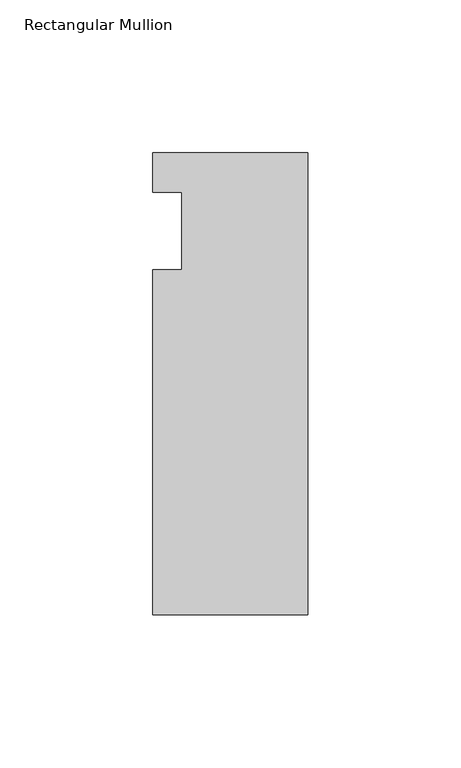
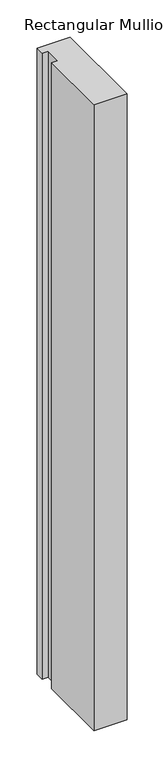
"""IFC4 building model written with IfcOpenShell, lengths in millimetres: member geometry, Rectangular Mullion."""

from ifc_helpers import new_model, si_unit, frame, origin, place, context, project, spatial, polyline, outline, extrude, source, transform, mapped, element, save


def rectangular_mullion_6261cdc9(model_context):
    return source(origin(), model_context, "Body", "SweptSolid", [
        extrude(outline(polyline([(-50.8, 25.5984375), (0.0, 25.5984375), (0.0, -125.6109375), (-50.8, -125.6109375), (-50.8, -12.7), (-41.275, -12.7), (-41.275, 12.7), (-50.8, 12.7), (-50.8, 25.5984375)])), frame((0.0, 0.0, -1020.33992), z_axis=(0.0, 0.0, 1.0), x_axis=(1.0, 0.0, 0.0)), (0.0, 0.0, 1.0), 1020.33992),
    ])


if __name__ == "__main__":
    model = new_model("IFC4")
    model_context = context("Model", 3, world=origin())
    ifc_project = project(units=[si_unit("LENGTHUNIT", "METRE", prefix="MILLI")], contexts=[model_context])
    site = spatial("IfcSite", under=ifc_project)
    building = spatial("IfcBuilding", under=site)
    placement = place(None, origin())
    rectangular_mullion_shape = rectangular_mullion_6261cdc9(model_context)
    element("IfcMember", 1, ObjectType="Rectangular Mullion", at=placement, inside=building, context=model_context, shape_type="MappedRepresentation", body=[
        mapped(rectangular_mullion_shape, transform((0.0, 0.0, 0.0), x_axis=(1.0, 0.0, 0.0), y_axis=(0.0, 1.0, 0.0), z_axis=(0.0, 0.0, 1.0))),
    ])
    save(model, "model.ifc")
